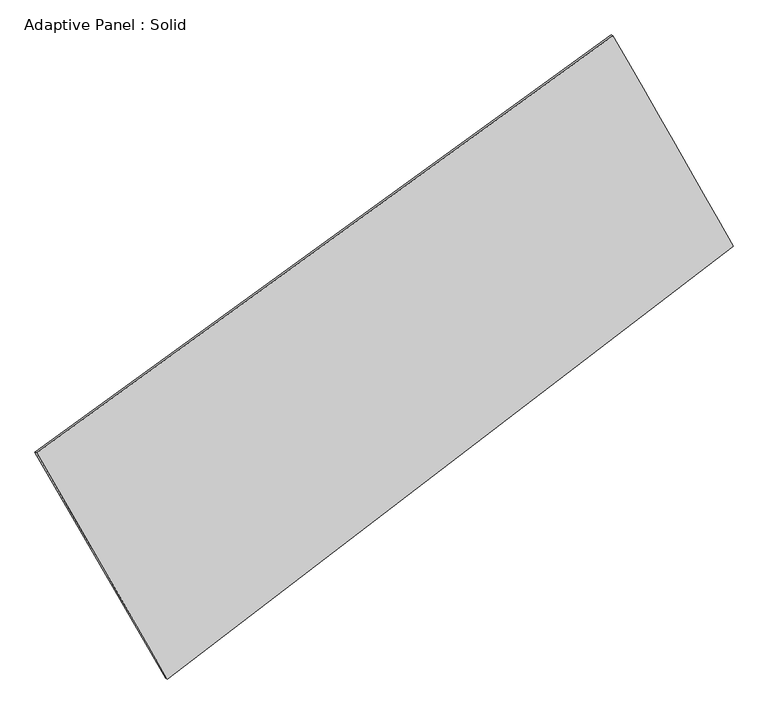
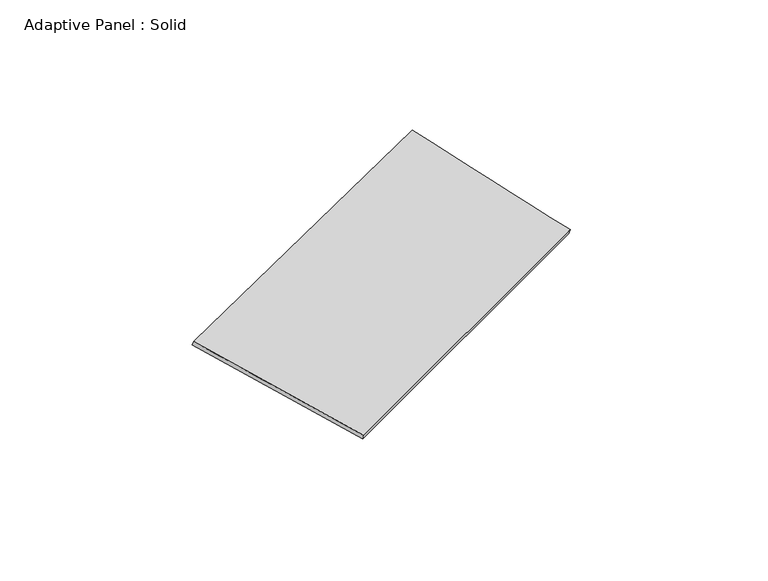
"""IFC4 building model written with IfcOpenShell, lengths in millimetres: plate geometry, Adaptive Panel : Solid."""

import ifcopenshell
import ifcopenshell.guid

model = None  # the IFC model being written
_history = None  # IfcOwnerHistory: only IFC2X3 demands one
_inside = {}  # id of a spatial element -> (the spatial element, [elements in it])
_under = {}  # id of a project, library or spatial element -> (it, [spatial elements below it])
_declared = {}  # id of a project -> (the project, [libraries it declares])
_typed = {}  # id of a type object -> (the type object, [elements of that type])
_made_of = {}  # id of a material, layer set ... -> (it, [elements and type objects made of it])


def new_model(schema):
    """Start an empty IFC model of exactly this schema.

    Asked for "IFC4X3", IfcOpenShell would pick the latest addendum, in which some entities
    have other attributes; the version numbers below select the first issue.
    IFC2X3 requires an IfcOwnerHistory on every rooted entity: one is made here for all.
    """
    global model, _history
    if schema == "IFC4X3":
        model = ifcopenshell.file(schema_version=(4, 3, 0, 0))
    else:
        model = ifcopenshell.file(schema=schema)
    _inside.clear()
    _under.clear()
    _declared.clear()
    _typed.clear()
    _made_of.clear()
    _history = None
    if model.schema == "IFC2X3":
        org = make("IfcOrganization", Name="unknown")
        user = make(
            "IfcPersonAndOrganization",
            ThePerson=make("IfcPerson", FamilyName="unknown"),
            TheOrganization=org,
        )
        app = make(
            "IfcApplication",
            ApplicationDeveloper=org,
            Version="unknown",
            ApplicationFullName="unknown",
            ApplicationIdentifier="unknown",
        )
        _history = make(
            "IfcOwnerHistory",
            OwningUser=user,
            OwningApplication=app,
            ChangeAction="ADDED",
            CreationDate=0,
        )
    return model


def make(cls, **values):
    """One entity of the class cls with the attributes given. An attribute that is None is left unset."""
    return model.create_entity(
        cls, **{name: value for name, value in values.items() if value is not None}
    )


def rooted(cls, **values):
    """An entity with a GlobalId (a new one), such as an element, a storey or a relation."""
    return make(cls, GlobalId=ifcopenshell.guid.new(), OwnerHistory=_history, **values)


def si_unit(unit_type, name, prefix=None):
    """IfcSIUnit, for example si_unit("LENGTHUNIT", "METRE", prefix="MILLI")."""
    return make("IfcSIUnit", UnitType=unit_type, Prefix=prefix, Name=name)


def assignment(units):
    """IfcUnitAssignment: the units of a project."""
    return None if units is None else make("IfcUnitAssignment", Units=units)


def point(xyz):
    """IfcCartesianPoint."""
    return None if xyz is None else make("IfcCartesianPoint", Coordinates=xyz)


def direction(xyz):
    """IfcDirection."""
    return None if xyz is None else make("IfcDirection", DirectionRatios=xyz)


def frame(location, z_axis=None, x_axis=None):
    """IfcAxis2Placement3D, a coordinate frame: its origin and axes. An axis left out is left unset."""
    return make(
        "IfcAxis2Placement3D",
        Location=point(location),
        Axis=direction(z_axis),
        RefDirection=direction(x_axis),
    )


def origin():
    """The frame at (0, 0, 0) with its axes left unset."""
    return frame((0.0, 0.0, 0.0))


def place(relative_to, where):
    """IfcLocalPlacement: puts the frame where relative to a parent placement (None: the world)."""
    return make(
        "IfcLocalPlacement", PlacementRelTo=relative_to, RelativePlacement=where
    )


def context(
    kind, dimensions, precision=None, world=None, true_north=None, identifier=None
):
    """IfcGeometricRepresentationContext, for example the 3D "Model" context."""
    return make(
        "IfcGeometricRepresentationContext",
        ContextIdentifier=identifier,
        ContextType=kind,
        CoordinateSpaceDimension=dimensions,
        Precision=precision,
        WorldCoordinateSystem=world,
        TrueNorth=true_north,
    )


def project(units=None, contexts=None):
    """IfcProject with its units and contexts."""
    return rooted(
        "IfcProject",
        Name="project",
        RepresentationContexts=contexts,
        UnitsInContext=assignment(units),
    )


def spatial(cls, under=None, at=None, **own):
    """A site, building, storey or space (cls), placed at a placement, below another one or the project."""
    s = rooted(cls, ObjectPlacement=at, **own)
    if under is not None:
        _under.setdefault(under.id(), (under, []))[1].append(s)
    return s


def shape(context_of_items, identifier, shape_type, items):
    """IfcShapeRepresentation: the items that make up one representation, for example the "Body"."""
    return make(
        "IfcShapeRepresentation",
        ContextOfItems=context_of_items,
        RepresentationIdentifier=identifier,
        RepresentationType=shape_type,
        Items=items,
    )


def source(mapping_origin, context_of_items, identifier, shape_type, items):
    """IfcRepresentationMap: a shape defined once, which mapped items show again and again."""
    return make(
        "IfcRepresentationMap",
        MappingOrigin=mapping_origin,
        MappedRepresentation=shape(context_of_items, identifier, shape_type, items),
    )


def transform(
    local_origin,
    x_axis=None,
    y_axis=None,
    z_axis=None,
    scale=None,
    scale2=None,
    scale3=None,
    uniform=True,
):
    """IfcCartesianTransformationOperator3D, or its non-uniform kind. x_axis, y_axis, z_axis: its Axis1, 2, 3."""
    if uniform:
        return make(
            "IfcCartesianTransformationOperator3D",
            Axis1=direction(x_axis),
            Axis2=direction(y_axis),
            LocalOrigin=point(local_origin),
            Scale=scale,
            Axis3=direction(z_axis),
        )
    return make(
        "IfcCartesianTransformationOperator3DnonUniform",
        Axis1=direction(x_axis),
        Axis2=direction(y_axis),
        LocalOrigin=point(local_origin),
        Scale=scale,
        Axis3=direction(z_axis),
        Scale2=scale2,
        Scale3=scale3,
    )


def mapped(mapping_source, mapping_target):
    """IfcMappedItem: shows the shape of a source again, moved by a transform."""
    return make(
        "IfcMappedItem", MappingSource=mapping_source, MappingTarget=mapping_target
    )


def made_of(thing, what):
    """Note that an element or type object is made of a material, layer set ...; save() writes the relation."""
    if what is not None:
        _made_of.setdefault(what.id(), (what, []))[1].append(thing)
    return thing


def element(
    cls,
    number,
    at=None,
    inside=None,
    cuts=None,
    type_object=None,
    material=None,
    context=None,
    identifier="Body",
    shape_type=None,
    held_by="IfcProductDefinitionShape",
    body=None,
    shapes=None,
    **own,
):
    """One element of the class cls, such as IfcWall. Its Tag is "e" and its number.

    at: its placement. inside: the storey or other place that contains it. cuts: it is an
    opening in that element (IfcRelVoidsElement). A single representation is given by context,
    identifier, shape_type and body (its items); several are given by shapes. held_by: the class
    of the entity that holds the representations. save() writes the other relations.
    """
    e = rooted(cls, Tag="e%d" % number, ObjectPlacement=at, **own)
    if body is not None:
        shapes = [shape(context, identifier, shape_type, body)]
    if shapes is not None:
        e.Representation = make(held_by, Representations=shapes)
    if inside is not None:
        _inside.setdefault(inside.id(), (inside, []))[1].append(e)
    if cuts is not None:
        rooted(
            "IfcRelVoidsElement", RelatingBuildingElement=cuts, RelatedOpeningElement=e
        )
    if type_object is not None:
        _typed.setdefault(type_object.id(), (type_object, []))[1].append(e)
    return made_of(e, material)


def aggregate(whole, parts):
    """IfcRelAggregates: a whole, such as a stair, and the parts it consists of."""
    return rooted("IfcRelAggregates", RelatingObject=whole, RelatedObjects=parts)


def save(model, path):
    """Write the relations noted so far, then the file.

    IfcRelAggregates (storeys below a building ...), IfcRelContainedInSpatialStructure (elements
    in a storey), IfcRelDefinesByType, IfcRelAssociatesMaterial and IfcRelDeclares: one each for
    every whole, place, type object, material and project.
    """
    for whole, parts in _under.values():
        aggregate(whole, parts)
    for where, things in _inside.values():
        rooted(
            "IfcRelContainedInSpatialStructure",
            RelatedElements=things,
            RelatingStructure=where,
        )
    for kind, things in _typed.values():
        rooted("IfcRelDefinesByType", RelatedObjects=things, RelatingType=kind)
    for what, things in _made_of.values():
        rooted("IfcRelAssociatesMaterial", RelatedObjects=things, RelatingMaterial=what)
    for by, libraries in _declared.values():
        rooted("IfcRelDeclares", RelatingContext=by, RelatedDefinitions=libraries)
    model.write(path)


def plane_surface(at):
    """IfcPlane: the flat surface through the origin of the frame at, square to its z axis."""
    return make("IfcPlane", Position=at)


def spline_surface(u_degree, v_degree, points, u_multiplicities, v_multiplicities, u_knots, v_knots, weights=None):
    """IfcBSplineSurfaceWithKnots; with weights, IfcRationalBSplineSurfaceWithKnots. points: one row for each step in u."""
    own = dict(
        UDegree=u_degree,
        VDegree=v_degree,
        ControlPointsList=[[point(p) for p in row] for row in points],
        SurfaceForm="UNSPECIFIED",
        UClosed=False,
        VClosed=False,
        SelfIntersect=False,
        UMultiplicities=u_multiplicities,
        VMultiplicities=v_multiplicities,
        UKnots=u_knots,
        VKnots=v_knots,
        KnotSpec="UNSPECIFIED",
    )
    if weights is None:
        return make("IfcBSplineSurfaceWithKnots", **own)
    return make("IfcRationalBSplineSurfaceWithKnots", WeightsData=weights, **own)


def advanced_brep(points, edges, surfaces, faces):
    """IfcAdvancedBrep: a solid bounded by faces that lie on surfaces and meet in shared edges.

    An edge is (start, end): straight between two places in points (the first is 0);
    or (start, end, curve); or (start, end, curve, False) where it runs against its curve.
    A face is (place in surfaces, loops), or (place, loops, False) where it looks against
    its surface's normal. A loop lists edges by number (the first is 1), with a minus sign
    where the edge is run from its end to its start. The first loop is the outer one.
    """
    corners = [point(p) for p in points]
    vertices = [make("IfcVertexPoint", VertexGeometry=c) for c in corners]
    made = []
    for start, end, *more in edges:
        made.append(
            make(
                "IfcEdgeCurve",
                EdgeStart=vertices[start],
                EdgeEnd=vertices[end],
                EdgeGeometry=more[0] if more else make("IfcPolyline", Points=[corners[start], corners[end]]),
                SameSense=more[1] if len(more) > 1 else True,
            )
        )
    hull = []
    for where, loops, *sense in faces:
        bounds = []
        for j, loop in enumerate(loops):
            ring = [make("IfcOrientedEdge", EdgeElement=made[abs(k) - 1], Orientation=k > 0) for k in loop]
            bounds.append(
                make(
                    "IfcFaceOuterBound" if j == 0 else "IfcFaceBound",
                    Bound=make("IfcEdgeLoop", EdgeList=ring),
                    Orientation=True,
                )
            )
        hull.append(make("IfcAdvancedFace", Bounds=bounds, FaceSurface=surfaces[where], SameSense=sense[0] if sense else True))
    return make("IfcAdvancedBrep", Outer=make("IfcClosedShell", CfsFaces=hull))


def adaptive_panel_solid_b2c19d50(model_context):
    return source(origin(), model_context, "Body", "AdvancedBrep", [
        advanced_brep(
        [(1203.6653863, 2513.6707243, 692.1375321), (-3536.8389064, -918.6390488, 1613.8086582), (-3522.1725506, -925.0191423, 1661.1815662), (1218.3317422, 2507.2906309, 739.5104401), (-2461.6646962, -2778.093651, 1111.8201895), (-2446.9983404, -2784.4737445, 1159.1930975), (2191.5476382, 782.8134027, 67.3561404), (2206.213994, 776.4333092, 114.7290484)],
        [
            (0, 1),
            (1, 2),
            (2, 3),
            (3, 0),
            (1, 4),
            (4, 5),
            (5, 2),
            (4, 6),
            (6, 7),
            (7, 5),
            (6, 0),
            (3, 7),
        ],
        [
            plane_surface(frame((-1166.58676, 797.5158378, 1152.9730951), z_axis=(-0.5290765281958058, 0.8037825859916622, 0.2720506970563194), x_axis=(-0.8001194835104855, -0.5793176745281928, 0.15556299073417512))),
            plane_surface(frame((-2999.2518013, -1848.3663499, 1362.8144238), z_axis=(-0.8282358865782068, -0.5288965025079665, 0.18518586830223457), x_axis=(0.4874300160256069, -0.8429833769603924, -0.22757637321508078))),
            plane_surface(frame((-135.058529, -997.6401242, 589.588165), z_axis=(0.5445154423268395, -0.792289355141589, -0.27528260169674984), x_axis=(0.7818223118418054, 0.5982956256728474, -0.1754885096155039))),
            plane_surface(frame((1697.6065123, 1648.2420635, 379.7468363), z_axis=(0.8239810312778474, 0.536295684306689, -0.18287208395027307), x_axis=(-0.4729942606391653, 0.8287278950600131, 0.2991429513657467))),
            spline_surface(1, 1, [[(-3522.1725506, -925.0191423, 1661.1815662), (1218.3317422, 2507.2906309, 739.5104401)], [(-2446.9983404, -2784.4737445, 1159.1930975), (2206.213994, 776.4333092, 114.7290484)]], [2, 2], [2, 2], [0.0, 1.0], [0.0, 1.0]),
            spline_surface(1, 1, [[(2191.5476382, 782.8134027, 67.3561404), (1203.6653863, 2513.6707243, 692.1375321)], [(-2461.6646962, -2778.093651, 1111.8201895), (-3536.8389064, -918.6390488, 1613.8086582)]], [2, 2], [2, 2], [0.0, 1.0], [0.0, 1.0]),
        ],
        [
            (0, [[1, 2, 3, 4]]),
            (1, [[5, 6, 7, -2]]),
            (2, [[8, 9, 10, -6]]),
            (3, [[11, -4, 12, -9]]),
            (4, [[-3, -7, -10, -12]]),
            (5, [[-11, -8, -5, -1]]),
        ],
    ),
    ])


if __name__ == "__main__":
    model = new_model("IFC4")
    model_context = context("Model", 3, world=origin())
    ifc_project = project(units=[si_unit("LENGTHUNIT", "METRE", prefix="MILLI")], contexts=[model_context])
    site = spatial("IfcSite", under=ifc_project)
    building = spatial("IfcBuilding", under=site)
    placement = place(None, origin())
    adaptive_panel_solid_shape = adaptive_panel_solid_b2c19d50(model_context)
    element("IfcPlate", 1, ObjectType="Adaptive Panel : Solid", at=placement, inside=building, context=model_context, shape_type="MappedRepresentation", body=[
        mapped(adaptive_panel_solid_shape, transform((0.0, 0.0, 0.0), x_axis=(1.0, 0.0, 0.0), y_axis=(0.0, 1.0, 0.0), z_axis=(0.0, 0.0, 1.0))),
    ])
    save(model, "model.ifc")
